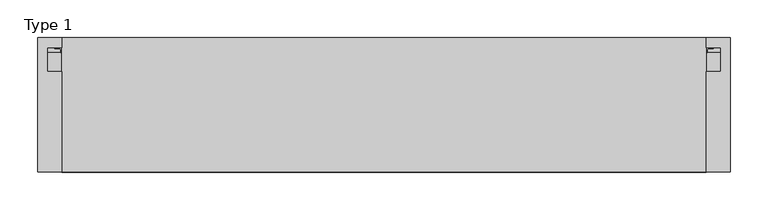
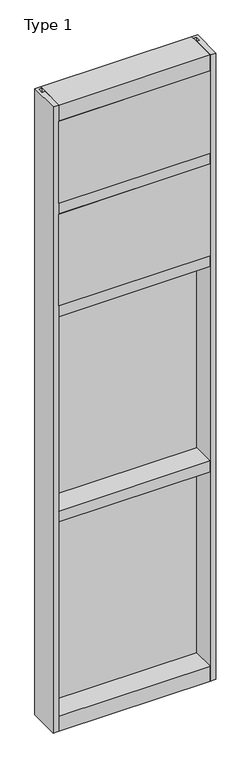
"""IFC4 building model written with IfcOpenShell, lengths in millimetres: plate geometry, Type 1."""

from ifc_helpers import new_model, si_unit, point, frame, frame_2d, origin, place, context, project, spatial, polyline, circle_curve, trimmed, segment, composite_curve, outline, extrude, source, transform, mapped, element, save


def type_1_cacc3eda(model_context):
    return source(origin(), model_context, "Body", "SweptSolid", [
        extrude(outline(polyline([(34.0360843, 3579.4782689), (34.0360843, 3568.7272341), (27.686, 3566.9739421), (27.686, 3579.4782689), (34.0360843, 3579.4782689)])), frame((-444.5, 0.0, 0.0), z_axis=(1.0, 0.0, 0.0), x_axis=(0.0, 1.0, 0.0)), (0.0, 0.0, 1.0), 889.0),
        extrude(outline(composite_curve([segment(polyline([(-425.9374462, 27.686), (-426.9039521, 27.686), (-426.9314595, 31.7563748)]), True, "CONTINUOUS"), segment(trimmed(circle_curve(frame_2d((-427.566445, 31.7520836)), 0.635), [point((-426.9314595, 31.7563748))], [point((-427.5313642, 32.3861138))], True, "CARTESIAN"), True, "CONTINUOUS"), segment(polyline([(-427.5313642, 32.3861138), (-434.2867251, 32.7598869)]), True, "CONTINUOUS"), segment(trimmed(circle_curve(frame_2d((-434.1041718, 33.7593519)), 1.016), [point((-434.2867251, 32.7598869))], [point((-435.0817504, 34.0361122))], False, "CARTESIAN"), True, "CONTINUOUS"), segment(polyline([(-435.0817504, 34.0361122), (-425.5265008, 34.0361122), (-425.9374462, 27.686)]), True, "CONTINUOUS")], self_intersect=False)), frame((0.0, 0.0, 3068.9728643), z_axis=(0.0, 0.0, 1.0), x_axis=(1.0, 0.0, 0.0)), (0.0, 0.0, 1.0), 518.7771357),
        extrude(outline(composite_curve([segment(polyline([(425.9374462, 27.686), (425.5265008, 34.0361122), (435.0817504, 34.0361122)]), True, "CONTINUOUS"), segment(trimmed(circle_curve(frame_2d((434.1041718, 33.7593519)), 1.016), [point((435.0817504, 34.0361122))], [point((434.2867251, 32.7598869))], False, "CARTESIAN"), True, "CONTINUOUS"), segment(polyline([(434.2867251, 32.7598869), (427.5313642, 32.3861138)]), True, "CONTINUOUS"), segment(trimmed(circle_curve(frame_2d((427.566445, 31.7520836)), 0.635), [point((427.5313642, 32.3861138))], [point((426.9314595, 31.7563748))], True, "CARTESIAN"), True, "CONTINUOUS"), segment(polyline([(426.9314595, 31.7563748), (426.9039521, 27.686), (425.9374462, 27.686)]), True, "CONTINUOUS")], self_intersect=False)), frame((0.0, 0.0, 3068.9728643), z_axis=(0.0, 0.0, 1.0), x_axis=(1.0, 0.0, 0.0)), (0.0, 0.0, 1.0), 518.7771357),
        extrude(outline(polyline([(34.0361122, 3068.9728643), (27.686, 3068.9728643), (27.686, 3081.4771952), (34.0361122, 3079.7238955), (34.0361122, 3068.9728643)])), frame((-435.0817504, 0.0, 0.0), z_axis=(1.0, 0.0, 0.0), x_axis=(0.0, 1.0, 0.0)), (0.0, 0.0, 1.0), 870.1635007),
        extrude(outline(polyline([(427.0375, -48.6030703), (425.45, -131.0159103), (-425.45, -131.0159103), (-427.0375, -48.6030703), (427.0375, -48.6030703)])), frame((0.0, 0.0, 3079.75), z_axis=(0.0, 0.0, 1.0), x_axis=(1.0, 0.0, 0.0)), (0.0, 0.0, 1.0), 488.95),
        extrude(outline(polyline([(-444.5, 27.686), (444.5, 27.686), (444.5, 2.286), (-444.5, 2.286), (-444.5, 27.686)])), frame((0.0, 0.0, 3060.7), z_axis=(0.0, 0.0, 1.0), x_axis=(1.0, 0.0, 0.0)), (0.0, 0.0, 1.0), 527.05),
        extrude(outline(composite_curve([segment(polyline([(34.0360974, 3027.0282838), (34.0360974, 3016.1659828)]), True, "CONTINUOUS"), segment(trimmed(circle_curve(frame_2d((38.5198748, 2991.1648681)), 25.4), [point((34.0360974, 3016.1659828))], [point((27.686, 3014.1384868))], True, "CARTESIAN"), True, "CONTINUOUS"), segment(polyline([(27.686, 3014.1384868), (27.686, 3027.0282838), (34.0360974, 3027.0282838)]), True, "CONTINUOUS")], self_intersect=False)), frame((-444.5, 0.0, 0.0), z_axis=(1.0, 0.0, 0.0), x_axis=(0.0, 1.0, 0.0)), (0.0, 0.0, 1.0), 889.0),
        extrude(outline(composite_curve([segment(polyline([(-425.5265008, 34.0361122), (-425.9374462, 27.686), (-426.9039521, 27.686), (-426.9314595, 31.7563748)]), True, "CONTINUOUS"), segment(trimmed(circle_curve(frame_2d((-427.566445, 31.7520836)), 0.635), [point((-426.9314595, 31.7563748))], [point((-427.5313642, 32.3861138))], True, "CARTESIAN"), True, "CONTINUOUS"), segment(polyline([(-427.5313642, 32.3861138), (-434.2867251, 32.7598869)]), True, "CONTINUOUS"), segment(trimmed(circle_curve(frame_2d((-434.1041718, 33.7593519)), 1.016), [point((-434.2867251, 32.7598869))], [point((-435.0817504, 34.0361122))], False, "CARTESIAN"), True, "CONTINUOUS"), segment(polyline([(-435.0817504, 34.0361122), (-425.5265008, 34.0361122)]), True, "CONTINUOUS")], self_intersect=False)), frame((0.0, 0.0, 2459.3728643), z_axis=(0.0, 0.0, 1.0), x_axis=(1.0, 0.0, 0.0)), (0.0, 0.0, 1.0), 575.9271357),
        extrude(outline(composite_curve([segment(polyline([(425.9374462, 27.686), (425.5265008, 34.0361122), (435.0817504, 34.0361122)]), True, "CONTINUOUS"), segment(trimmed(circle_curve(frame_2d((434.1041718, 33.7593519)), 1.016), [point((435.0817504, 34.0361122))], [point((434.2867251, 32.7598869))], False, "CARTESIAN"), True, "CONTINUOUS"), segment(polyline([(434.2867251, 32.7598869), (427.5313642, 32.3861138)]), True, "CONTINUOUS"), segment(trimmed(circle_curve(frame_2d((427.566445, 31.7520836)), 0.635), [point((427.5313642, 32.3861138))], [point((426.9314595, 31.7563748))], True, "CARTESIAN"), True, "CONTINUOUS"), segment(polyline([(426.9314595, 31.7563748), (426.9039521, 27.686), (425.9374462, 27.686)]), True, "CONTINUOUS")], self_intersect=False)), frame((0.0, 0.0, 2459.3728643), z_axis=(0.0, 0.0, 1.0), x_axis=(1.0, 0.0, 0.0)), (0.0, 0.0, 1.0), 575.9271357),
        extrude(outline(polyline([(34.0361122, 2459.3728643), (27.686, 2459.3728643), (27.686, 2471.8771952), (34.0361122, 2470.1238955), (34.0361122, 2459.3728643)])), frame((-435.0817504, 0.0, 0.0), z_axis=(1.0, 0.0, 0.0), x_axis=(0.0, 1.0, 0.0)), (0.0, 0.0, 1.0), 870.1635007),
        extrude(outline(polyline([(425.45, -48.514), (425.45, -131.0159103), (-425.45, -131.0159103), (-425.45, -48.514), (425.45, -48.514)])), frame((0.0, 0.0, 2470.15), z_axis=(0.0, 0.0, 1.0), x_axis=(1.0, 0.0, 0.0)), (0.0, 0.0, 1.0), 546.1),
        extrude(outline(polyline([(444.5, 27.686), (444.5, 2.286), (-444.5, 2.286), (-444.5, 27.686), (444.5, 27.686)])), frame((0.0, 0.0, 2451.1), z_axis=(0.0, 0.0, 1.0), x_axis=(1.0, 0.0, 0.0)), (0.0, 0.0, 1.0), 584.2),
        extrude(outline(polyline([(-457.2, -130.5814), (-457.2, 47.2186), (-425.4489108, 47.2186), (-425.4489108, 34.036), (-444.5, 34.036), (-444.5, 2.286), (-425.45, 2.286), (-425.45, -130.5814), (-457.2, -130.5814)])), frame((0.0, 0.0, -57.15), z_axis=(0.0, 0.0, 1.0), x_axis=(1.0, 0.0, 0.0)), (0.0, 0.0, 1.0), 3721.1),
        extrude(outline(polyline([(457.2, -130.5814), (425.45, -130.5814), (425.45, 2.286), (444.5, 2.286), (444.5, 34.036), (425.4489108, 34.036), (425.4489108, 47.2186), (457.2, 47.2186), (457.2, -130.5814)])), frame((0.0, 0.0, -57.15), z_axis=(0.0, 0.0, 1.0), x_axis=(1.0, 0.0, 0.0)), (0.0, 0.0, 1.0), 3721.1),
        extrude(outline(polyline([(27.686, 1252.6752684), (34.036, 1250.9219997), (34.036, 1240.1709644), (27.686, 1240.1709644), (27.686, 1252.6752684)])), frame((-435.0828713, 0.0, 0.0), z_axis=(1.0, 0.0, 0.0), x_axis=(0.0, 1.0, 0.0)), (0.0, 0.0, 1.0), 870.1657427),
        extrude(outline(polyline([(27.6860992, 2417.4309356), (34.0360992, 2417.4309356), (34.0360992, 2406.6798775), (27.6860992, 2404.9266088), (27.6860992, 2417.4309356)])), frame((-435.0828713, 0.0, 0.0), z_axis=(1.0, 0.0, 0.0), x_axis=(0.0, 1.0, 0.0)), (0.0, 0.0, 1.0), 870.1657427),
        extrude(outline(composite_curve([segment(trimmed(circle_curve(frame_2d((-427.5675342, 31.7520836)), 0.635), [point((-426.9325487, 31.7563748))], [point((-427.5324534, 32.3861138))], True, "CARTESIAN"), True, "CONTINUOUS"), segment(polyline([(-427.5324534, 32.3861138), (-434.2878143, 32.7598869)]), True, "CONTINUOUS"), segment(trimmed(circle_curve(frame_2d((-434.1052611, 33.7593519)), 1.016), [point((-434.2878143, 32.7598869))], [point((-435.0828713, 34.036))], False, "CARTESIAN"), True, "CONTINUOUS"), segment(polyline([(-435.0828713, 34.036), (-425.5275972, 34.036), (-425.9385354, 27.686), (-426.9050413, 27.686), (-426.9325487, 31.7563748)]), True, "CONTINUOUS")], self_intersect=False)), frame((0.0, 0.0, 1240.1709644), z_axis=(0.0, 0.0, 1.0), x_axis=(1.0, 0.0, 0.0)), (0.0, 0.0, 1.0), 1177.2580861),
        extrude(outline(composite_curve([segment(polyline([(425.9385354, 27.686), (425.5275972, 34.036), (435.0828713, 34.036)]), True, "CONTINUOUS"), segment(trimmed(circle_curve(frame_2d((434.1052611, 33.7593519)), 1.016), [point((435.0828713, 34.036))], [point((434.2878143, 32.7598869))], False, "CARTESIAN"), True, "CONTINUOUS"), segment(polyline([(434.2878143, 32.7598869), (427.5324534, 32.3861138)]), True, "CONTINUOUS"), segment(trimmed(circle_curve(frame_2d((427.5675342, 31.7520836)), 0.635), [point((427.5324534, 32.3861138))], [point((426.9325487, 31.7563748))], True, "CARTESIAN"), True, "CONTINUOUS"), segment(polyline([(426.9325487, 31.7563748), (426.9050413, 27.686), (425.9385354, 27.686)]), True, "CONTINUOUS")], self_intersect=False)), frame((0.0, 0.0, 1240.1709644), z_axis=(0.0, 0.0, 1.0), x_axis=(1.0, 0.0, 0.0)), (0.0, 0.0, 1.0), 1177.2580861),
        extrude(outline(polyline([(444.5010892, 27.686), (444.5010892, 2.286), (-444.5010892, 2.286), (-444.5010892, 27.686), (444.5010892, 27.686)])), frame((0.0, 0.0, 1231.8962001), z_axis=(0.0, 0.0, 1.0), x_axis=(1.0, 0.0, 0.0)), (0.0, 0.0, 1.0), 1193.8037999),
        extrude(outline(polyline([(27.686, 33.4752684), (34.036, 31.7219997), (34.036, 20.9709644), (27.686, 20.9709644), (27.686, 33.4752684)])), frame((-435.0828713, 0.0, 0.0), z_axis=(1.0, 0.0, 0.0), x_axis=(0.0, 1.0, 0.0)), (0.0, 0.0, 1.0), 870.1657427),
        extrude(outline(polyline([(27.6860992, 1198.2309356), (34.0360992, 1198.2309356), (34.0360992, 1187.4798775), (27.6860992, 1185.7266088), (27.6860992, 1198.2309356)])), frame((-435.0828713, 0.0, 0.0), z_axis=(1.0, 0.0, 0.0), x_axis=(0.0, 1.0, 0.0)), (0.0, 0.0, 1.0), 870.1657427),
        extrude(outline(composite_curve([segment(trimmed(circle_curve(frame_2d((-427.5675342, 31.7520836)), 0.635), [point((-426.9325487, 31.7563748))], [point((-427.5324534, 32.3861138))], True, "CARTESIAN"), True, "CONTINUOUS"), segment(polyline([(-427.5324534, 32.3861138), (-434.2878143, 32.7598869)]), True, "CONTINUOUS"), segment(trimmed(circle_curve(frame_2d((-434.1052611, 33.7593519)), 1.016), [point((-434.2878143, 32.7598869))], [point((-435.0828713, 34.036))], False, "CARTESIAN"), True, "CONTINUOUS"), segment(polyline([(-435.0828713, 34.036), (-425.5275972, 34.036), (-425.9385354, 27.686), (-426.9050413, 27.686), (-426.9325487, 31.7563748)]), True, "CONTINUOUS")], self_intersect=False)), frame((0.0, 0.0, 20.9709644), z_axis=(0.0, 0.0, 1.0), x_axis=(1.0, 0.0, 0.0)), (0.0, 0.0, 1.0), 1177.2580861),
        extrude(outline(composite_curve([segment(polyline([(425.9385354, 27.686), (425.5275972, 34.036), (435.0828713, 34.036)]), True, "CONTINUOUS"), segment(trimmed(circle_curve(frame_2d((434.1052611, 33.7593519)), 1.016), [point((435.0828713, 34.036))], [point((434.2878143, 32.7598869))], False, "CARTESIAN"), True, "CONTINUOUS"), segment(polyline([(434.2878143, 32.7598869), (427.5324534, 32.3861138)]), True, "CONTINUOUS"), segment(trimmed(circle_curve(frame_2d((427.5675342, 31.7520836)), 0.635), [point((427.5324534, 32.3861138))], [point((426.9325487, 31.7563748))], True, "CARTESIAN"), True, "CONTINUOUS"), segment(polyline([(426.9325487, 31.7563748), (426.9050413, 27.686), (425.9385354, 27.686)]), True, "CONTINUOUS")], self_intersect=False)), frame((0.0, 0.0, 20.9709644), z_axis=(0.0, 0.0, 1.0), x_axis=(1.0, 0.0, 0.0)), (0.0, 0.0, 1.0), 1177.2580861),
        extrude(outline(polyline([(444.5010892, 27.686), (444.5010892, 2.286), (-444.5010892, 2.286), (-444.5010892, 27.686), (444.5010892, 27.686)])), frame((0.0, 0.0, 12.6962001), z_axis=(0.0, 0.0, 1.0), x_axis=(1.0, 0.0, 0.0)), (0.0, 0.0, 1.0), 1193.8037999),
        extrude(outline(polyline([(0.0, 3079.75), (0.0, 3060.7), (34.13125, 3060.7), (34.13125, 3079.7462001), (46.83125, 3079.7462001), (46.83125, 3016.2462001), (34.13125, 3016.2462001), (34.13125, 3035.3), (0.0, 3035.3), (0.0, 3016.25), (-130.175, 3016.25), (-130.175, 3079.75), (0.0, 3079.75)])), frame((-425.45, 0.0, 0.0), z_axis=(1.0, 0.0, 0.0), x_axis=(0.0, 1.0, 0.0)), (0.0, 0.0, 1.0), 850.9),
        extrude(outline(polyline([(0.0, 2470.15), (0.0, 2451.1), (34.13125, 2451.1), (34.13125, 2470.1462001), (46.83125, 2470.1462001), (46.83125, 2406.6462001), (34.13125, 2406.6462001), (34.13125, 2425.7), (0.0, 2425.7), (0.0, 2406.65), (-130.175, 2406.65), (-130.175, 2470.15), (0.0, 2470.15)])), frame((-425.45, 0.0, 0.0), z_axis=(1.0, 0.0, 0.0), x_axis=(0.0, 1.0, 0.0)), (0.0, 0.0, 1.0), 850.9),
        extrude(outline(polyline([(47.2186297, 3663.95), (47.2186297, 3568.7), (34.13125, 3568.7), (34.13125, 3587.75), (0.0, 3587.75), (0.0, 3568.7), (-130.175, 3568.7), (-130.175, 3663.95), (47.2186297, 3663.95)])), frame((-425.45, 0.0, 0.0), z_axis=(1.0, 0.0, 0.0), x_axis=(0.0, 1.0, 0.0)), (0.0, 0.0, 1.0), 850.9),
        extrude(outline(polyline([(0.0, 1250.95), (0.0, 1231.9), (34.13125, 1231.9), (34.13125, 1250.9462001), (46.83125, 1250.9462001), (46.83125, 1187.4462001), (34.13125, 1187.4462001), (34.13125, 1206.5), (0.0, 1206.5), (0.0, 1187.45), (-130.175, 1187.45), (-130.175, 1250.95), (0.0, 1250.95)])), frame((-425.45, 0.0, 0.0), z_axis=(1.0, 0.0, 0.0), x_axis=(0.0, 1.0, 0.0)), (0.0, 0.0, 1.0), 850.9),
        extrude(outline(polyline([(0.0, 31.75), (0.0, 12.7), (34.13125, 12.7), (34.13125, 31.751832), (47.2186148, 31.751832), (47.2186148, -57.15), (-130.175, -57.15), (-130.175, 31.75), (0.0, 31.75)])), frame((-425.45, 0.0, 0.0), z_axis=(1.0, 0.0, 0.0), x_axis=(0.0, 1.0, 0.0)), (0.0, 0.0, 1.0), 850.9),
    ])


if __name__ == "__main__":
    model = new_model("IFC4")
    model_context = context("Model", 3, world=origin())
    ifc_project = project(units=[si_unit("LENGTHUNIT", "METRE", prefix="MILLI")], contexts=[model_context])
    site = spatial("IfcSite", under=ifc_project)
    building = spatial("IfcBuilding", under=site)
    placement = place(None, origin())
    type_1_shape = type_1_cacc3eda(model_context)
    element("IfcPlate", 1, ObjectType="Type 1", at=placement, inside=building, context=model_context, shape_type="MappedRepresentation", body=[
        mapped(type_1_shape, transform((0.0, 0.0, 0.0), x_axis=(1.0, 0.0, 0.0), y_axis=(0.0, 1.0, 0.0), z_axis=(0.0, 0.0, 1.0))),
    ])
    save(model, "model.ifc")
